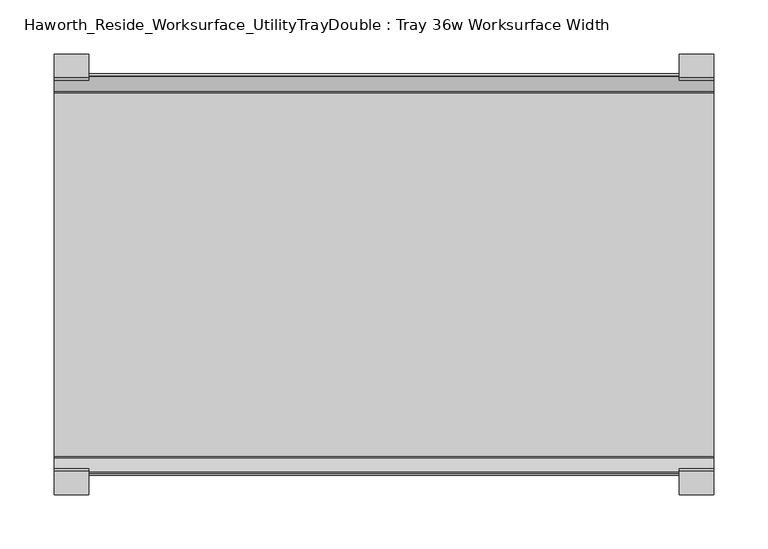
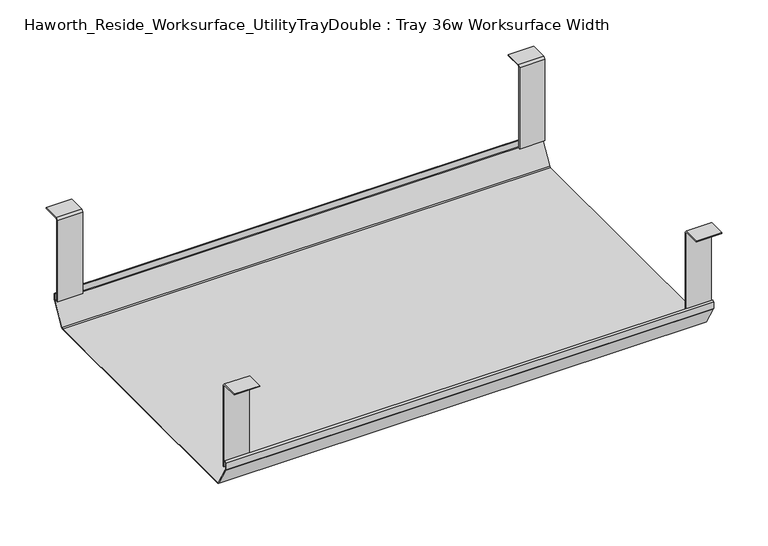
"""IFC4 building model written with IfcOpenShell, lengths in millimetres: furniture geometry, Haworth_Reside_Worksurface_UtilityTrayDouble : Tray 36w Worksurface Width."""

from ifc_helpers import new_model, si_unit, frame, origin, place, context, project, spatial, polyline, outline, extrude, source, transform, mapped, element, save


def haworth_reside_worksurface_utilitytraydouble_tray_36w_0deda97d(model_context):
    return source(origin(), model_context, "Body", "SweptSolid", [
        extrude(outline(polyline([(-721.2228768, 731.8375), (-718.8278791, 729.4425023), (-718.8278791, 621.6649855), (-720.2248778, 621.6649855), (-720.2248778, 729.0734626), (-721.7824239, 730.6310087), (-743.0086797, 730.6310087), (-743.0086797, 731.8375), (-721.2228768, 731.8375)])), frame((488.8991976, 0.0, 0.0), z_axis=(1.0, 0.0, 0.0), x_axis=(0.0, 1.0, 0.0)), (0.0, 0.0, 1.0), 31.8008024),
        extrude(outline(polyline([(-357.7340763, 731.8375), (-335.9482734, 731.8375), (-335.9482734, 730.6310087), (-357.1745292, 730.6310087), (-358.7320753, 729.0734626), (-358.7320753, 621.6649855), (-360.129074, 621.6649855), (-360.129074, 729.4425023), (-357.7340763, 731.8375)])), frame((488.8991976, 0.0, 0.0), z_axis=(1.0, 0.0, 0.0), x_axis=(0.0, 1.0, 0.0)), (0.0, 0.0, 1.0), 31.8008024),
        extrude(outline(polyline([(-721.2228768, 731.8375), (-718.8278791, 729.4425023), (-718.8278791, 621.6649855), (-720.2248778, 621.6649855), (-720.2248778, 729.0734626), (-721.7824239, 730.6310087), (-743.0086797, 730.6310087), (-743.0086797, 731.8375), (-721.2228768, 731.8375)])), frame((-88.9, 0.0, 0.0), z_axis=(1.0, 0.0, 0.0), x_axis=(0.0, 1.0, 0.0)), (0.0, 0.0, 1.0), 31.8008024),
        extrude(outline(polyline([(-357.7340763, 731.8375), (-335.9482734, 731.8375), (-335.9482734, 730.6310087), (-357.1745292, 730.6310087), (-358.7320753, 729.0734626), (-358.7320753, 621.6649855), (-360.129074, 621.6649855), (-360.129074, 729.4425023), (-357.7340763, 731.8375)])), frame((-88.9, 0.0, 0.0), z_axis=(1.0, 0.0, 0.0), x_axis=(0.0, 1.0, 0.0)), (0.0, 0.0, 1.0), 31.8008024),
        extrude(outline(polyline([(-725.025475, 629.0309966), (-722.993477, 631.0629947), (-722.432211, 630.5017287), (-724.231725, 628.7022146), (-724.231725, 620.8042827), (-724.0067745, 619.9647622), (-708.9140802, 593.8234395), (-707.4787101, 592.9947272), (-371.478243, 592.9947272), (-370.0428729, 593.8234395), (-354.9501786, 619.9647622), (-354.7252281, 620.8042827), (-354.7252281, 628.7022146), (-356.5247421, 630.5017287), (-355.9634761, 631.0629947), (-353.9314781, 629.0309966), (-353.9314781, 620.6997828), (-354.2105217, 619.6583856), (-369.5353957, 593.1149156), (-371.1183815, 592.2009772), (-707.691395, 592.2009772), (-709.4951457, 593.2423744), (-724.7464314, 619.6583856), (-725.025475, 620.6997828), (-725.025475, 629.0309966)])), frame((-88.9, 0.0, 0.0), z_axis=(1.0, 0.0, 0.0), x_axis=(0.0, 1.0, 0.0)), (0.0, 0.0, 1.0), 609.6),
    ])


if __name__ == "__main__":
    model = new_model("IFC4")
    model_context = context("Model", 3, world=origin())
    ifc_project = project(units=[si_unit("LENGTHUNIT", "METRE", prefix="MILLI")], contexts=[model_context])
    site = spatial("IfcSite", under=ifc_project)
    building = spatial("IfcBuilding", under=site)
    placement = place(None, origin())
    haworth_reside_worksurface_utilitytraydouble_tray_36w_shape = haworth_reside_worksurface_utilitytraydouble_tray_36w_0deda97d(model_context)
    element("IfcFurniture", 1, ObjectType="Haworth_Reside_Worksurface_UtilityTrayDouble : Tray 36w Worksurface Width", at=placement, inside=building, context=model_context, shape_type="MappedRepresentation", body=[
        mapped(haworth_reside_worksurface_utilitytraydouble_tray_36w_shape, transform((0.0, 0.0, 0.0), x_axis=(1.0, 0.0, 0.0), y_axis=(0.0, 1.0, 0.0), z_axis=(0.0, 0.0, 1.0))),
    ])
    save(model, "model.ifc")
